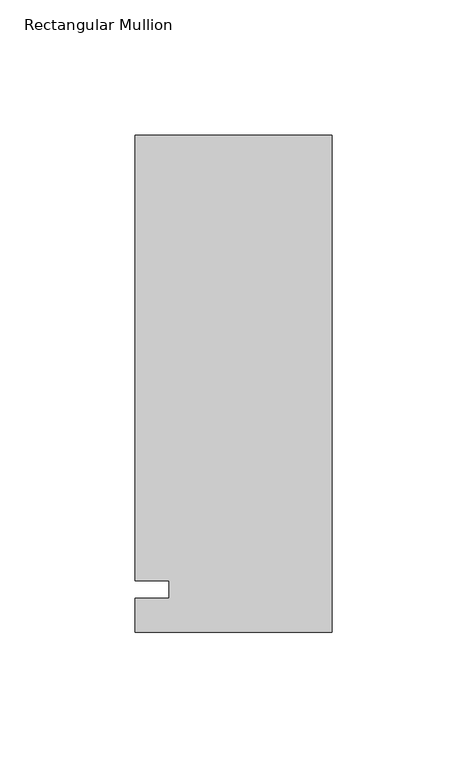
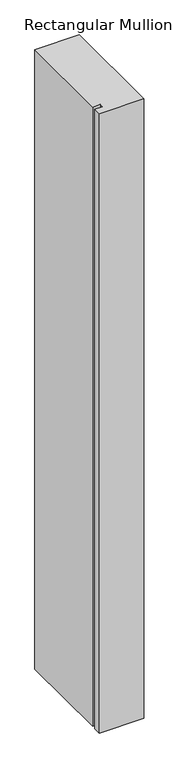
"""IFC4 building model written with IfcOpenShell, lengths in millimetres: member geometry, Rectangular Mullion."""

from ifc_helpers import new_model, si_unit, frame, origin, place, context, project, spatial, polyline, outline, extrude, source, transform, mapped, element, save


def rectangular_mullion_5dbc76e0(model_context):
    return source(origin(), model_context, "Body", "SweptSolid", [
        extrude(outline(polyline([(-73.025, 168.275), (0.0, 168.275), (0.0, -15.875), (-73.025, -15.875), (-73.025, -3.175), (-60.3232296, -3.175), (-60.3232296, 3.175), (-73.025, 3.175), (-73.025, 168.275)])), frame((0.0, 0.0, -1080.6594027), z_axis=(0.0, 0.0, 1.0), x_axis=(1.0, 0.0, 0.0)), (0.0, 0.0, 1.0), 1080.6594027),
    ])


if __name__ == "__main__":
    model = new_model("IFC4")
    model_context = context("Model", 3, world=origin())
    ifc_project = project(units=[si_unit("LENGTHUNIT", "METRE", prefix="MILLI")], contexts=[model_context])
    site = spatial("IfcSite", under=ifc_project)
    building = spatial("IfcBuilding", under=site)
    placement = place(None, origin())
    rectangular_mullion_shape = rectangular_mullion_5dbc76e0(model_context)
    element("IfcMember", 1, ObjectType="Rectangular Mullion", at=placement, inside=building, context=model_context, shape_type="MappedRepresentation", body=[
        mapped(rectangular_mullion_shape, transform((0.0, 0.0, 0.0), x_axis=(1.0, 0.0, 0.0), y_axis=(0.0, 1.0, 0.0), z_axis=(0.0, 0.0, 1.0))),
    ])
    save(model, "model.ifc")
